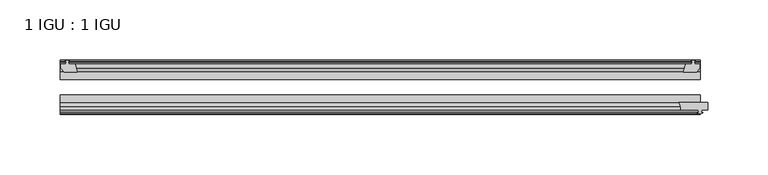
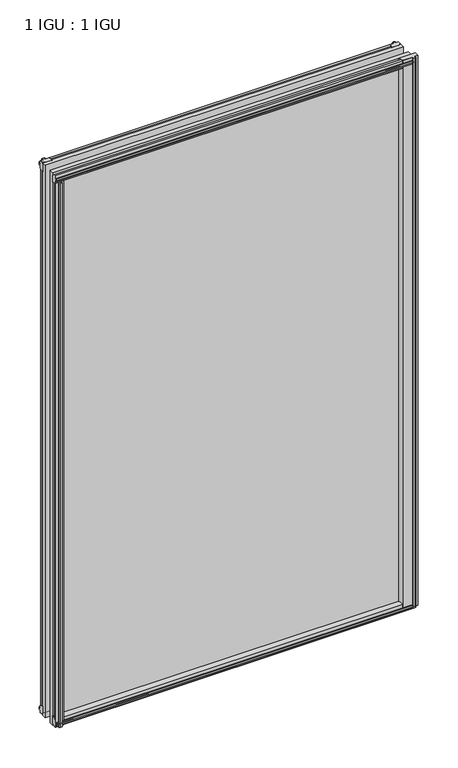
"""IFC4 building model written with IfcOpenShell, lengths in millimetres: plate geometry, 1 IGU : 1 IGU."""

from ifc_helpers import new_model, si_unit, point, frame, frame_2d, origin, place, context, project, spatial, polyline, circle_curve, trimmed, segment, composite_curve, outline, extrude, source, transform, mapped, element, save


def plate_1_igu_1_igu_7374c4a5(model_context):
    return source(origin(), model_context, "Body", "SweptSolid", [
        extrude(outline(polyline([(258.8916084, -10.4746158), (261.0691375, -9.7670938), (263.2466666, -10.4746158), (263.2466666, -11.27583), (261.8311375, -10.8158968), (262.2121375, -13.1960938), (266.6571375, -13.1960938), (266.6571375, -16.1424938), (263.8227953, -19.5460938), (253.0014194, -19.5460938), (254.7191375, -13.1960938), (259.9261375, -13.1960938), (260.3071375, -10.8158968), (258.8916084, -11.27583), (258.8916084, -10.4746158)])), frame((0.0, 0.0, -12.4587), z_axis=(0.0, 0.0, 1.0), x_axis=(1.0, 0.0, 0.0)), (0.0, 0.0, 1.0), 863.1174),
        extrude(outline(polyline([(-257.6957, -9.7670937), (-255.5181709, -10.4746158), (-255.5181709, -11.27583), (-256.9337, -10.8158968), (-256.5527, -13.1960937), (-251.3457, -13.1960937), (-249.6279819, -19.5460937), (-260.4493578, -19.5460937), (-263.2837, -16.1424937), (-263.2837, -13.1960937), (-258.8387, -13.1960937), (-258.4577, -10.8158968), (-259.8732291, -11.27583), (-259.8732291, -10.4746158), (-257.6957, -9.7670937)])), frame((0.0, 0.0, -12.4587), z_axis=(0.0, 0.0, 1.0), x_axis=(1.0, 0.0, 0.0)), (0.0, 0.0, 1.0), 863.1174),
        extrude(outline(composite_curve([segment(polyline([(248.9617558, -44.9460938), (273.05, -44.9460938), (273.05, -51.2960938), (267.97, -51.2960938), (267.6525, -53.4006957), (268.8711059, -53.0741712), (269.0749, -53.8347412), (266.7, -54.4710938), (264.3251, -53.8347412), (264.5288941, -53.0741712), (265.7475, -53.4006957), (265.43, -51.2960938), (250.825, -51.2960938)]), True, "CONTINUOUS"), segment(trimmed(circle_curve(frame_2d((242.0493721, -50.4227155)), 8.8189814), [point((250.825, -51.2960938))], [point((248.9617558, -44.9460938))], True, "CARTESIAN"), True, "CONTINUOUS")], self_intersect=False)), frame((0.0, 0.0, -9.0482291), z_axis=(0.0, 0.0, 1.0), x_axis=(1.0, 0.0, 0.0)), (0.0, 0.0, 1.0), 859.7069291),
        extrude(outline(polyline([(-249.1072819, -44.9460937), (-250.825, -51.2960937), (-256.032, -51.2960937), (-256.413, -53.6762907), (-254.9974709, -53.2163575), (-254.9974709, -54.0175717), (-257.175, -54.7250937), (-259.3525291, -54.0175717), (-259.3525291, -53.2163575), (-257.937, -53.6762907), (-258.318, -51.2960937), (-262.763, -51.2960937), (-262.763, -48.3496937), (-259.9286578, -44.9460937), (-249.1072819, -44.9460937)])), frame((0.0, 0.0, -12.4587), z_axis=(0.0, 0.0, 1.0), x_axis=(1.0, 0.0, 0.0)), (0.0, 0.0, 1.0), 850.4174),
        extrude(outline(polyline([(-10.4746158, -4.6931709), (-9.7670937, -6.8707), (-10.4746158, -9.0482291), (-11.27583, -9.0482291), (-10.8158968, -7.6327), (-13.1960937, -8.0137), (-13.1960937, -12.4587), (-16.1424937, -12.4587), (-19.5460937, -9.6243578), (-19.5460937, 1.1970181), (-13.1960937, -0.5207), (-13.1960937, -5.7277), (-10.8158968, -6.1087), (-11.27583, -4.6931709), (-10.4746158, -4.6931709)])), frame((-263.525, 0.0, 0.0), z_axis=(1.0, 0.0, 0.0), x_axis=(0.0, 1.0, 0.0)), (0.0, 0.0, 1.0), 530.225),
        extrude(outline(polyline([(-44.9460937, 1.7177181), (-44.9460937, -9.1036578), (-48.3496937, -11.938), (-51.2960937, -11.938), (-51.2960937, -7.493), (-53.6762907, -7.112), (-53.2163575, -8.5275291), (-54.0175717, -8.5275291), (-54.7250937, -6.35), (-54.0175717, -4.1724709), (-53.2163575, -4.1724709), (-53.6762907, -5.588), (-51.2960937, -5.207), (-51.2960937, 0.0), (-44.9460937, 1.7177181)])), frame((-263.525, 0.0, 0.0), z_axis=(1.0, 0.0, 0.0), x_axis=(0.0, 1.0, 0.0)), (0.0, 0.0, 1.0), 530.225),
        extrude(outline(polyline([(-10.8158968, 845.8327), (-11.27583, 847.2482291), (-10.4746158, 847.2482291), (-9.7670937, 845.0707), (-10.4746158, 842.8931709), (-11.27583, 842.8931709), (-10.8158968, 844.3087), (-13.1960937, 843.9277), (-13.1960937, 838.7207), (-19.5460938, 837.0029819), (-19.5460938, 847.8243578), (-16.1424937, 850.6587), (-13.1960937, 850.6587), (-13.1960937, 846.2137), (-10.8158968, 845.8327)])), frame((-263.525, 0.0, 0.0), z_axis=(1.0, 0.0, 0.0), x_axis=(0.0, 1.0, 0.0)), (0.0, 0.0, 1.0), 530.225),
        extrude(outline(polyline([(-51.2960937, 850.138), (-48.3496937, 850.138), (-44.9460938, 847.3036578), (-44.9460938, 836.4822819), (-51.2960937, 838.2), (-51.2960937, 843.407), (-53.6762907, 843.788), (-53.2163575, 842.3724709), (-54.0175717, 842.3724709), (-54.7250937, 844.55), (-54.0175717, 846.7275291), (-53.2163575, 846.7275291), (-53.6762907, 845.312), (-51.2960937, 845.693), (-51.2960937, 850.138)])), frame((-263.525, 0.0, 0.0), z_axis=(1.0, 0.0, 0.0), x_axis=(0.0, 1.0, 0.0)), (0.0, 0.0, 1.0), 530.225),
        extrude(outline(polyline([(-263.525, -38.9186738), (266.7, -38.9186738), (266.7, -44.9460937), (-263.525, -44.9460937), (-263.525, -38.9186738)])), frame((0.0, 0.0, -12.7), z_axis=(0.0, 0.0, 1.0), x_axis=(1.0, 0.0, 0.0)), (0.0, 0.0, 1.0), 863.6),
        extrude(outline(polyline([(-263.525, -19.5460937), (266.7, -19.5460937), (266.7, -25.8960938), (-263.525, -25.8960938), (-263.525, -19.5460937)])), frame((0.0, 0.0, -12.7), z_axis=(0.0, 0.0, 1.0), x_axis=(1.0, 0.0, 0.0)), (0.0, 0.0, 1.0), 863.6),
    ])


if __name__ == "__main__":
    model = new_model("IFC4")
    model_context = context("Model", 3, world=origin())
    ifc_project = project(units=[si_unit("LENGTHUNIT", "METRE", prefix="MILLI")], contexts=[model_context])
    site = spatial("IfcSite", under=ifc_project)
    building = spatial("IfcBuilding", under=site)
    placement = place(None, origin())
    plate_1_igu_1_igu_shape = plate_1_igu_1_igu_7374c4a5(model_context)
    element("IfcPlate", 1, ObjectType="1 IGU : 1 IGU", at=placement, inside=building, context=model_context, shape_type="MappedRepresentation", body=[
        mapped(plate_1_igu_1_igu_shape, transform((0.0, 0.0, 0.0), x_axis=(1.0, 0.0, 0.0), y_axis=(0.0, 1.0, 0.0), z_axis=(0.0, 0.0, 1.0))),
    ])
    save(model, "model.ifc")
